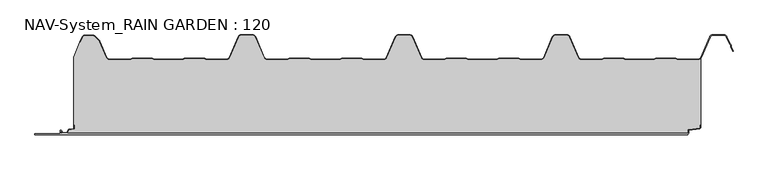
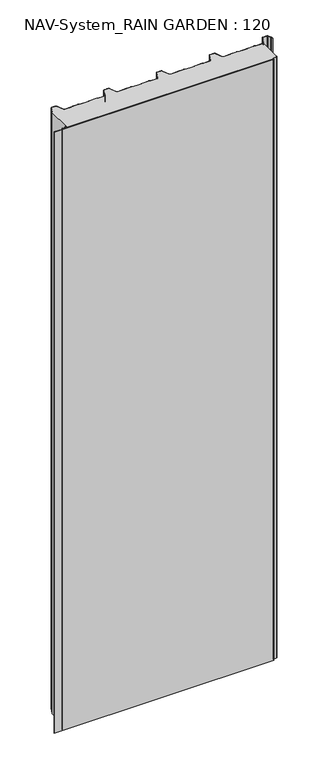
"""IFC4 building model written with IfcOpenShell, lengths in millimetres: plate geometry, NAV-System_RAIN GARDEN : 120."""

from ifc_helpers import new_model, si_unit, point, frame, frame_2d, origin, origin_with_axes, place, context, project, spatial, polyline, circle_curve, trimmed, segment, composite_curve, outline, extrude, source, transform, mapped, element, save


def nav_system_rain_garden_120_fca5cb17(model_context):
    return source(origin(), model_context, "Body", "SweptSolid", [
        extrude(outline(composite_curve([segment(polyline([(14.6767555, 519.0), (14.6767555, 518.2), (10.3721283, 518.2), (7.8818536, 500.4911207)]), True, "CONTINUOUS"), segment(trimmed(circle_curve(frame_2d((6.3964683, 500.7)), 1.5), [point((7.8818536, 500.4911207))], [point((6.3964683, 499.2))], False, "CARTESIAN"), True, "CONTINUOUS"), segment(polyline([(6.3964683, 499.2), (1.8, 499.2), (1.8, -498.7)]), True, "CONTINUOUS"), segment(trimmed(circle_curve(frame_2d((2.3, -498.7)), 0.5), [point((1.8, -498.7))], [point((2.3, -499.2))], True, "CARTESIAN"), True, "CONTINUOUS"), segment(polyline([(2.3, -499.2), (5.3700191, -499.2)]), True, "CONTINUOUS"), segment(trimmed(circle_curve(frame_2d((5.3700191, -498.7)), 0.5), [point((5.3700191, -499.2))], [point((5.6200191, -498.2669873))], True, "CARTESIAN"), True, "CONTINUOUS"), segment(polyline([(5.6200191, -498.2669873), (2.2, -496.2924383), (2.2, -488.9841833), (7.6866602, -485.8164586), (8.898332, -477.2), (14.6767555, -477.2), (14.6767555, -478.0), (9.5937048, -478.0), (8.5128213, -485.6863953)]), True, "CONTINUOUS"), segment(trimmed(circle_curve(frame_2d((7.2254873, -485.5053666)), 1.3), [point((8.5128213, -485.6863953))], [point((7.8754873, -486.6311996))], False, "CARTESIAN"), True, "CONTINUOUS"), segment(polyline([(7.8754873, -486.6311996), (3.0, -489.4460636), (3.0, -495.8305581), (6.0200191, -497.574167)]), True, "CONTINUOUS"), segment(trimmed(circle_curve(frame_2d((5.3700191, -498.7)), 1.3), [point((6.0200191, -497.574167))], [point((5.3700191, -500.0))], False, "CARTESIAN"), True, "CONTINUOUS"), segment(polyline([(5.3700191, -500.0), (2.3, -500.0)]), True, "CONTINUOUS"), segment(trimmed(circle_curve(frame_2d((2.3, -498.7)), 1.3), [point((2.3, -500.0))], [point((1.0, -498.7))], False, "CARTESIAN"), True, "CONTINUOUS"), segment(polyline([(1.0, -498.7), (1.0, -540.0), (0.0, -540.0), (0.0, 498.7), (1.0, 498.7)]), True, "CONTINUOUS"), segment(trimmed(circle_curve(frame_2d((2.3, 498.7)), 1.3), [point((1.0, 498.7))], [point((2.3, 500.0))], False, "CARTESIAN"), True, "CONTINUOUS"), segment(polyline([(2.3, 500.0), (6.3964683, 500.0)]), True, "CONTINUOUS"), segment(trimmed(circle_curve(frame_2d((6.3964683, 500.7)), 0.7), [point((6.3964683, 500.0))], [point((7.0896481, 500.602523))], True, "CARTESIAN"), True, "CONTINUOUS"), segment(polyline([(7.0896481, 500.602523), (9.5194024, 517.8810287)]), True, "CONTINUOUS"), segment(trimmed(circle_curve(frame_2d((10.8067363, 517.7)), 1.3), [point((9.5194024, 517.8810287))], [point((10.8067363, 519.0))], False, "CARTESIAN"), True, "CONTINUOUS"), segment(polyline([(10.8067363, 519.0), (14.6767555, 519.0)]), True, "CONTINUOUS")], self_intersect=False)), frame((0.0, 0.0, 3000.0), z_axis=(0.0, 0.0, -1.0), x_axis=(0.0, 1.0, 0.0)), (0.0, 0.0, 1.0), 3000.0),
        extrude(outline(composite_curve([segment(polyline([(519.0, 120.6220493), (519.0, 14.6767555), (518.2, 14.6767555), (518.2, 10.3721283), (500.4911207, 7.8818536)]), True, "CONTINUOUS"), segment(trimmed(circle_curve(frame_2d((500.7, 6.3964683)), 1.5), [point((500.4911207, 7.8818536))], [point((499.2, 6.3964683))], True, "CARTESIAN"), True, "CONTINUOUS"), segment(polyline([(499.2, 6.3964683), (499.2, 1.8), (-498.7, 1.8)]), True, "CONTINUOUS"), segment(trimmed(circle_curve(frame_2d((-498.7, 2.3)), 0.5), [point((-498.7, 1.8))], [point((-499.2, 2.3))], False, "CARTESIAN"), True, "CONTINUOUS"), segment(polyline([(-499.2, 2.3), (-499.2, 5.3700191)]), True, "CONTINUOUS"), segment(trimmed(circle_curve(frame_2d((-498.7, 5.3700191)), 0.5), [point((-499.2, 5.3700191))], [point((-498.2669873, 5.6200191))], False, "CARTESIAN"), True, "CONTINUOUS"), segment(polyline([(-498.2669873, 5.6200191), (-496.2924383, 2.2), (-488.9841833, 2.2), (-485.8164586, 7.6866602), (-477.2, 8.898332), (-477.2, 14.6767555), (-478.0, 14.6767555), (-478.0, 123.053822), (-468.3696578, 146.593514), (-467.6292254, 146.2905951), (-464.1022482, 154.9116756)]), True, "CONTINUOUS"), segment(trimmed(circle_curve(frame_2d((-461.1405186, 153.7)), 3.2), [point((-464.1022482, 154.9116756))], [point((-461.1405186, 156.9))], False, "CARTESIAN"), True, "CONTINUOUS"), segment(polyline([(-461.1405186, 156.9), (-447.7344665, 156.9)]), True, "CONTINUOUS"), segment(trimmed(circle_curve(frame_2d((-447.7344665, 152.7)), 4.2), [point((-447.7344665, 156.9))], [point((-444.764618, 155.6698485))], False, "CARTESIAN"), True, "CONTINUOUS"), segment(polyline([(-444.764618, 155.6698485), (-438.3136397, 149.2188701)]), True, "CONTINUOUS"), segment(trimmed(circle_curve(frame_2d((-441.2834882, 146.2490217)), 4.2), [point((-438.3136397, 149.2188701))], [point((-437.4245651, 147.9069459))], False, "CARTESIAN"), True, "CONTINUOUS"), segment(polyline([(-437.4245651, 147.9069459), (-426.3392729, 122.1052295)]), True, "CONTINUOUS"), segment(trimmed(circle_curve(frame_2d((-421.9290751, 124.0)), 4.8), [point((-426.3392729, 122.1052295))], [point((-421.9290751, 119.2))], True, "CARTESIAN"), True, "CONTINUOUS"), segment(polyline([(-421.9290751, 119.2), (-389.1564631, 119.2), (-385.1925378, 120.7), (-353.6825105, 120.7), (-349.6410865, 119.2), (-305.8231298, 119.2), (-301.9276212, 120.6741102), (-270.3491772, 120.7), (-266.3077532, 119.2), (-234.4101978, 119.2)]), True, "CONTINUOUS"), segment(trimmed(circle_curve(frame_2d((-234.4101978, 124.0)), 4.8), [point((-234.4101978, 119.2))], [point((-230.0, 122.1052295))], True, "CARTESIAN"), True, "CONTINUOUS"), segment(polyline([(-230.0, 122.1052295), (-215.7994417, 155.1579242)]), True, "CONTINUOUS"), segment(trimmed(circle_curve(frame_2d((-211.9405186, 153.5)), 4.2), [point((-215.7994417, 155.1579242))], [point((-211.9405186, 157.7))], False, "CARTESIAN"), True, "CONTINUOUS"), segment(polyline([(-211.9405186, 157.7), (-193.5280451, 157.7)]), True, "CONTINUOUS"), segment(trimmed(circle_curve(frame_2d((-193.5280451, 153.5)), 4.2), [point((-193.5280451, 157.7))], [point((-189.669122, 155.1579242))], False, "CARTESIAN"), True, "CONTINUOUS"), segment(polyline([(-189.669122, 155.1579242), (-175.4685637, 122.1052295)]), True, "CONTINUOUS"), segment(trimmed(circle_curve(frame_2d((-171.0583659, 124.0)), 4.8), [point((-175.4685637, 122.1052295))], [point((-171.0583659, 119.2))], True, "CARTESIAN"), True, "CONTINUOUS"), segment(polyline([(-171.0583659, 119.2), (-139.1564631, 119.2), (-135.1925378, 120.7), (-103.6825105, 120.7), (-99.6410865, 119.2), (-55.8231298, 119.2), (-51.9276212, 120.6741102), (-20.3491772, 120.7), (-16.3077532, 119.2), (15.5898022, 119.2)]), True, "CONTINUOUS"), segment(trimmed(circle_curve(frame_2d((15.5898022, 124.0)), 4.8), [point((15.5898022, 119.2))], [point((20.0, 122.1052295))], True, "CARTESIAN"), True, "CONTINUOUS"), segment(polyline([(20.0, 122.1052295), (34.2005583, 155.1579242)]), True, "CONTINUOUS"), segment(trimmed(circle_curve(frame_2d((38.0594814, 153.5)), 4.2), [point((34.2005583, 155.1579242))], [point((38.0594814, 157.7))], False, "CARTESIAN"), True, "CONTINUOUS"), segment(polyline([(38.0594814, 157.7), (56.4719549, 157.7)]), True, "CONTINUOUS"), segment(trimmed(circle_curve(frame_2d((56.4719549, 153.5)), 4.2), [point((56.4719549, 157.7))], [point((60.330878, 155.1579242))], False, "CARTESIAN"), True, "CONTINUOUS"), segment(polyline([(60.330878, 155.1579242), (74.5314363, 122.1052295)]), True, "CONTINUOUS"), segment(trimmed(circle_curve(frame_2d((78.9416341, 124.0)), 4.8), [point((74.5314363, 122.1052295))], [point((78.9416341, 119.2))], True, "CARTESIAN"), True, "CONTINUOUS"), segment(polyline([(78.9416341, 119.2), (110.8435369, 119.2), (114.8074622, 120.7), (146.3174895, 120.7), (150.3589135, 119.2), (194.1768702, 119.2), (198.0723788, 120.6741102), (229.6508228, 120.7), (233.6922468, 119.2), (265.5898022, 119.2)]), True, "CONTINUOUS"), segment(trimmed(circle_curve(frame_2d((265.5898022, 124.0)), 4.8), [point((265.5898022, 119.2))], [point((270.0, 122.1052295))], True, "CARTESIAN"), True, "CONTINUOUS"), segment(polyline([(270.0, 122.1052295), (284.2005583, 155.1579242)]), True, "CONTINUOUS"), segment(trimmed(circle_curve(frame_2d((288.0594814, 153.5)), 4.2), [point((284.2005583, 155.1579242))], [point((288.0594814, 157.7))], False, "CARTESIAN"), True, "CONTINUOUS"), segment(polyline([(288.0594814, 157.7), (306.4719549, 157.7)]), True, "CONTINUOUS"), segment(trimmed(circle_curve(frame_2d((306.4719549, 153.5)), 4.2), [point((306.4719549, 157.7))], [point((310.330878, 155.1579242))], False, "CARTESIAN"), True, "CONTINUOUS"), segment(polyline([(310.330878, 155.1579242), (324.5314363, 122.1052295)]), True, "CONTINUOUS"), segment(trimmed(circle_curve(frame_2d((328.9416341, 124.0)), 4.8), [point((324.5314363, 122.1052295))], [point((328.9416341, 119.2))], True, "CARTESIAN"), True, "CONTINUOUS"), segment(polyline([(328.9416341, 119.2), (360.8435369, 119.2), (364.7390455, 120.6741102), (396.3174895, 120.7), (400.3589135, 119.2), (444.1768702, 119.2), (448.0723788, 120.6741102), (479.6508228, 120.7), (483.6922468, 119.2), (515.5898022, 119.2)]), True, "CONTINUOUS"), segment(trimmed(circle_curve(frame_2d((515.5898022, 124.0)), 4.8), [point((515.5898022, 119.2))], [point((519.0, 120.6220493))], True, "CARTESIAN"), True, "CONTINUOUS")], self_intersect=False)), origin_with_axes(), (0.0, 0.0, 1.0), 3000.0),
        extrude(outline(composite_curve([segment(trimmed(circle_curve(frame_2d((-461.1408608, 153.7)), 4.0), [point((-464.8430228, 155.2145945))], [point((-461.1408608, 157.7))], False, "CARTESIAN"), True, "CONTINUOUS"), segment(polyline([(-461.1408608, 157.7), (-447.7348087, 157.7)]), True, "CONTINUOUS"), segment(trimmed(circle_curve(frame_2d((-447.7348087, 152.7)), 5.0), [point((-447.7348087, 157.7))], [point((-444.1992748, 156.2355339))], False, "CARTESIAN"), True, "CONTINUOUS"), segment(polyline([(-444.1992748, 156.2355339), (-437.7482965, 149.7845556)]), True, "CONTINUOUS"), segment(trimmed(circle_curve(frame_2d((-441.2838304, 146.2490217)), 5.0), [point((-437.7482965, 149.7845556))], [point((-436.6898744, 148.2227409))], False, "CARTESIAN"), True, "CONTINUOUS"), segment(polyline([(-436.6898744, 148.2227409), (-425.6045822, 122.4210246)]), True, "CONTINUOUS"), segment(trimmed(circle_curve(frame_2d((-421.9294173, 124.0)), 4.0), [point((-425.6045822, 122.4210246))], [point((-421.9294173, 120.0))], True, "CARTESIAN"), True, "CONTINUOUS"), segment(polyline([(-421.9294173, 120.0), (-389.3031082, 120.0), (-385.3391828, 121.5), (-353.4633986, 121.5), (-349.4994732, 120.0), (-305.9697749, 120.0), (-302.0058495, 121.5), (-270.1300653, 121.5), (-266.1661399, 120.0), (-234.41054, 120.0)]), True, "CONTINUOUS"), segment(trimmed(circle_curve(frame_2d((-234.41054, 124.0)), 4.0), [point((-234.41054, 120.0))], [point((-230.7353752, 122.4210246))], True, "CARTESIAN"), True, "CONTINUOUS"), segment(polyline([(-230.7353752, 122.4210246), (-216.5348169, 155.4737193)]), True, "CONTINUOUS"), segment(trimmed(circle_curve(frame_2d((-211.9408608, 153.5)), 5.0), [point((-216.5348169, 155.4737193))], [point((-211.9408608, 158.5))], False, "CARTESIAN"), True, "CONTINUOUS"), segment(polyline([(-211.9408608, 158.5), (-193.5283873, 158.5)]), True, "CONTINUOUS"), segment(trimmed(circle_curve(frame_2d((-193.5283873, 153.5)), 5.0), [point((-193.5283873, 158.5))], [point((-188.9344313, 155.4737193))], False, "CARTESIAN"), True, "CONTINUOUS"), segment(polyline([(-188.9344313, 155.4737193), (-174.7338729, 122.4210246)]), True, "CONTINUOUS"), segment(trimmed(circle_curve(frame_2d((-171.0587081, 124.0)), 4.0), [point((-174.7338729, 122.4210246))], [point((-171.0587081, 120.0))], True, "CARTESIAN"), True, "CONTINUOUS"), segment(polyline([(-171.0587081, 120.0), (-139.3031082, 120.0), (-135.3391828, 121.5), (-103.4633986, 121.5), (-99.4994732, 120.0), (-55.9697749, 120.0), (-52.0058495, 121.5), (-20.1300653, 121.5), (-16.1661399, 120.0), (15.58946, 120.0)]), True, "CONTINUOUS"), segment(trimmed(circle_curve(frame_2d((15.58946, 124.0)), 4.0), [point((15.58946, 120.0))], [point((19.2646248, 122.4210246))], True, "CARTESIAN"), True, "CONTINUOUS"), segment(polyline([(19.2646248, 122.4210246), (33.4651831, 155.4737193)]), True, "CONTINUOUS"), segment(trimmed(circle_curve(frame_2d((38.0591392, 153.5)), 5.0), [point((33.4651831, 155.4737193))], [point((38.0591392, 158.5))], False, "CARTESIAN"), True, "CONTINUOUS"), segment(polyline([(38.0591392, 158.5), (56.4716127, 158.5)]), True, "CONTINUOUS"), segment(trimmed(circle_curve(frame_2d((56.4716127, 153.5)), 5.0), [point((56.4716127, 158.5))], [point((61.0655687, 155.4737193))], False, "CARTESIAN"), True, "CONTINUOUS"), segment(polyline([(61.0655687, 155.4737193), (75.2661271, 122.4210246)]), True, "CONTINUOUS"), segment(trimmed(circle_curve(frame_2d((78.9412919, 124.0)), 4.0), [point((75.2661271, 122.4210246))], [point((78.9412919, 120.0))], True, "CARTESIAN"), True, "CONTINUOUS"), segment(polyline([(78.9412919, 120.0), (110.6968918, 120.0), (114.6608172, 121.5), (146.5366014, 121.5), (150.5005268, 120.0), (194.0302251, 120.0), (197.9941505, 121.5), (229.8699347, 121.5), (233.8338601, 120.0), (265.58946, 120.0)]), True, "CONTINUOUS"), segment(trimmed(circle_curve(frame_2d((265.58946, 124.0)), 4.0), [point((265.58946, 120.0))], [point((269.2646248, 122.4210246))], True, "CARTESIAN"), True, "CONTINUOUS"), segment(polyline([(269.2646248, 122.4210246), (283.4651831, 155.4737193)]), True, "CONTINUOUS"), segment(trimmed(circle_curve(frame_2d((288.0591392, 153.5)), 5.0), [point((283.4651831, 155.4737193))], [point((288.0591392, 158.5))], False, "CARTESIAN"), True, "CONTINUOUS"), segment(polyline([(288.0591392, 158.5), (306.4716127, 158.5)]), True, "CONTINUOUS"), segment(trimmed(circle_curve(frame_2d((306.4716127, 153.5)), 5.0), [point((306.4716127, 158.5))], [point((311.0655687, 155.4737193))], False, "CARTESIAN"), True, "CONTINUOUS"), segment(polyline([(311.0655687, 155.4737193), (325.2661271, 122.4210246)]), True, "CONTINUOUS"), segment(trimmed(circle_curve(frame_2d((328.9412919, 124.0)), 4.0), [point((325.2661271, 122.4210246))], [point((328.9412919, 120.0))], True, "CARTESIAN"), True, "CONTINUOUS"), segment(polyline([(328.9412919, 120.0), (360.6968918, 120.0), (364.6608172, 121.5), (396.5366014, 121.5), (400.5005268, 120.0), (444.0302251, 120.0), (447.9941505, 121.5), (479.8699347, 121.5), (483.8338601, 120.0), (515.58946, 120.0)]), True, "CONTINUOUS"), segment(trimmed(circle_curve(frame_2d((515.58946, 124.0)), 4.0), [point((515.58946, 120.0))], [point((519.2646248, 122.4210246))], True, "CARTESIAN"), True, "CONTINUOUS"), segment(polyline([(519.2646248, 122.4210246), (533.4651831, 155.4737193)]), True, "CONTINUOUS"), segment(trimmed(circle_curve(frame_2d((538.0591392, 153.5)), 5.0), [point((533.4651831, 155.4737193))], [point((538.0591392, 158.5))], False, "CARTESIAN"), True, "CONTINUOUS"), segment(polyline([(538.0591392, 158.5), (556.4716127, 158.5)]), True, "CONTINUOUS"), segment(trimmed(circle_curve(frame_2d((556.4716127, 153.5)), 5.0), [point((556.4716127, 158.5))], [point((561.0655687, 155.4737193))], False, "CARTESIAN"), True, "CONTINUOUS"), segment(polyline([(561.0655687, 155.4737193), (565.9006789, 144.2196957), (567.9230626, 142.4138642), (567.8408612, 139.703799), (570.8182039, 132.7738461), (570.0831709, 132.458051), (567.0358547, 139.5508717), (567.1121268, 142.0654564), (565.2356202, 143.741031), (560.3305358, 155.1579242)]), True, "CONTINUOUS"), segment(trimmed(circle_curve(frame_2d((556.4716127, 153.5)), 4.2), [point((560.3305358, 155.1579242))], [point((556.4716127, 157.7))], True, "CARTESIAN"), True, "CONTINUOUS"), segment(polyline([(556.4716127, 157.7), (538.0591392, 157.7)]), True, "CONTINUOUS"), segment(trimmed(circle_curve(frame_2d((538.0591392, 153.5)), 4.2), [point((538.0591392, 157.7))], [point((534.2002161, 155.1579242))], True, "CARTESIAN"), True, "CONTINUOUS"), segment(polyline([(534.2002161, 155.1579242), (519.9996578, 122.1052295)]), True, "CONTINUOUS"), segment(trimmed(circle_curve(frame_2d((515.58946, 124.0)), 4.8), [point((519.9996578, 122.1052295))], [point((515.58946, 119.2))], False, "CARTESIAN"), True, "CONTINUOUS"), segment(polyline([(515.58946, 119.2), (483.6919046, 119.2), (479.6504806, 120.7), (448.0720366, 120.6741102), (444.1765279, 119.2), (400.3585713, 119.2), (396.3171473, 120.7), (364.7387033, 120.6741102), (360.8431946, 119.2), (328.9412919, 119.2)]), True, "CONTINUOUS"), segment(trimmed(circle_curve(frame_2d((328.9412919, 124.0)), 4.8), [point((328.9412919, 119.2))], [point((324.5310941, 122.1052295))], False, "CARTESIAN"), True, "CONTINUOUS"), segment(polyline([(324.5310941, 122.1052295), (310.3305358, 155.1579242)]), True, "CONTINUOUS"), segment(trimmed(circle_curve(frame_2d((306.4716127, 153.5)), 4.2), [point((310.3305358, 155.1579242))], [point((306.4716127, 157.7))], True, "CARTESIAN"), True, "CONTINUOUS"), segment(polyline([(306.4716127, 157.7), (288.0591392, 157.7)]), True, "CONTINUOUS"), segment(trimmed(circle_curve(frame_2d((288.0591392, 153.5)), 4.2), [point((288.0591392, 157.7))], [point((284.2002161, 155.1579242))], True, "CARTESIAN"), True, "CONTINUOUS"), segment(polyline([(284.2002161, 155.1579242), (269.9996578, 122.1052295)]), True, "CONTINUOUS"), segment(trimmed(circle_curve(frame_2d((265.58946, 124.0)), 4.8), [point((269.9996578, 122.1052295))], [point((265.58946, 119.2))], False, "CARTESIAN"), True, "CONTINUOUS"), segment(polyline([(265.58946, 119.2), (233.6919046, 119.2), (229.6504806, 120.7), (198.0720366, 120.6741102), (194.1765279, 119.2), (150.3585713, 119.2), (146.3171473, 120.7), (114.7387033, 120.6741102), (110.8431946, 119.2), (78.9412919, 119.2)]), True, "CONTINUOUS"), segment(trimmed(circle_curve(frame_2d((78.9412919, 124.0)), 4.8), [point((78.9412919, 119.2))], [point((74.5310941, 122.1052295))], False, "CARTESIAN"), True, "CONTINUOUS"), segment(polyline([(74.5310941, 122.1052295), (60.3305358, 155.1579242)]), True, "CONTINUOUS"), segment(trimmed(circle_curve(frame_2d((56.4716127, 153.5)), 4.2), [point((60.3305358, 155.1579242))], [point((56.4716127, 157.7))], True, "CARTESIAN"), True, "CONTINUOUS"), segment(polyline([(56.4716127, 157.7), (38.0591392, 157.7)]), True, "CONTINUOUS"), segment(trimmed(circle_curve(frame_2d((38.0591392, 153.5)), 4.2), [point((38.0591392, 157.7))], [point((34.2002161, 155.1579242))], True, "CARTESIAN"), True, "CONTINUOUS"), segment(polyline([(34.2002161, 155.1579242), (19.9996578, 122.1052295)]), True, "CONTINUOUS"), segment(trimmed(circle_curve(frame_2d((15.58946, 124.0)), 4.8), [point((19.9996578, 122.1052295))], [point((15.58946, 119.2))], False, "CARTESIAN"), True, "CONTINUOUS"), segment(polyline([(15.58946, 119.2), (-16.3080954, 119.2), (-20.3495194, 120.7), (-51.9279634, 120.6741102), (-55.8234721, 119.2), (-99.6414287, 119.2), (-103.6828527, 120.7), (-135.2612967, 120.6741102), (-139.1568054, 119.2), (-171.0587081, 119.2)]), True, "CONTINUOUS"), segment(trimmed(circle_curve(frame_2d((-171.0587081, 124.0)), 4.8), [point((-171.0587081, 119.2))], [point((-175.4689059, 122.1052295))], False, "CARTESIAN"), True, "CONTINUOUS"), segment(polyline([(-175.4689059, 122.1052295), (-189.6694642, 155.1579242)]), True, "CONTINUOUS"), segment(trimmed(circle_curve(frame_2d((-193.5283873, 153.5)), 4.2), [point((-189.6694642, 155.1579242))], [point((-193.5283873, 157.7))], True, "CARTESIAN"), True, "CONTINUOUS"), segment(polyline([(-193.5283873, 157.7), (-211.9408608, 157.7)]), True, "CONTINUOUS"), segment(trimmed(circle_curve(frame_2d((-211.9408608, 153.5)), 4.2), [point((-211.9408608, 157.7))], [point((-215.7997839, 155.1579242))], True, "CARTESIAN"), True, "CONTINUOUS"), segment(polyline([(-215.7997839, 155.1579242), (-230.0003422, 122.1052295)]), True, "CONTINUOUS"), segment(trimmed(circle_curve(frame_2d((-234.41054, 124.0)), 4.8), [point((-230.0003422, 122.1052295))], [point((-234.41054, 119.2))], False, "CARTESIAN"), True, "CONTINUOUS"), segment(polyline([(-234.41054, 119.2), (-266.3080954, 119.2), (-270.3495194, 120.7), (-301.9279634, 120.6741102), (-305.8234721, 119.2), (-349.6414287, 119.2), (-353.6828527, 120.7), (-385.19288, 120.7), (-389.1568054, 119.2), (-421.9294173, 119.2)]), True, "CONTINUOUS"), segment(trimmed(circle_curve(frame_2d((-421.9294173, 124.0)), 4.8), [point((-421.9294173, 119.2))], [point((-426.3396151, 122.1052295))], False, "CARTESIAN"), True, "CONTINUOUS"), segment(polyline([(-426.3396151, 122.1052295), (-437.4249073, 147.9069459)]), True, "CONTINUOUS"), segment(trimmed(circle_curve(frame_2d((-441.2838304, 146.2490217)), 4.2), [point((-437.4249073, 147.9069459))], [point((-438.3139819, 149.2188701))], True, "CARTESIAN"), True, "CONTINUOUS"), segment(polyline([(-438.3139819, 149.2188701), (-444.7649603, 155.6698485)]), True, "CONTINUOUS"), segment(trimmed(circle_curve(frame_2d((-447.7348087, 152.7)), 4.2), [point((-444.7649603, 155.6698485))], [point((-447.7348087, 156.9))], True, "CARTESIAN"), True, "CONTINUOUS"), segment(polyline([(-447.7348087, 156.9), (-461.1408608, 156.9)]), True, "CONTINUOUS"), segment(trimmed(circle_curve(frame_2d((-461.1408608, 153.7)), 3.2), [point((-461.1408608, 156.9))], [point((-464.1025904, 154.9116756))], True, "CARTESIAN"), True, "CONTINUOUS"), segment(polyline([(-464.1025904, 154.9116756), (-467.6295676, 146.2905951), (-468.37, 146.593514), (-464.8430228, 155.2145945)]), True, "CONTINUOUS")], self_intersect=False)), origin_with_axes(), (0.0, 0.0, 1.0), 3000.0),
    ])


if __name__ == "__main__":
    model = new_model("IFC4")
    model_context = context("Model", 3, world=origin())
    ifc_project = project(units=[si_unit("LENGTHUNIT", "METRE", prefix="MILLI")], contexts=[model_context])
    site = spatial("IfcSite", under=ifc_project)
    building = spatial("IfcBuilding", under=site)
    placement = place(None, origin())
    nav_system_rain_garden_120_shape = nav_system_rain_garden_120_fca5cb17(model_context)
    element("IfcPlate", 1, ObjectType="NAV-System_RAIN GARDEN : 120", at=placement, inside=building, context=model_context, shape_type="MappedRepresentation", body=[
        mapped(nav_system_rain_garden_120_shape, transform((0.0, 0.0, 0.0), x_axis=(1.0, 0.0, 0.0), y_axis=(0.0, 1.0, 0.0), z_axis=(0.0, 0.0, 1.0))),
    ])
    save(model, "model.ifc")
